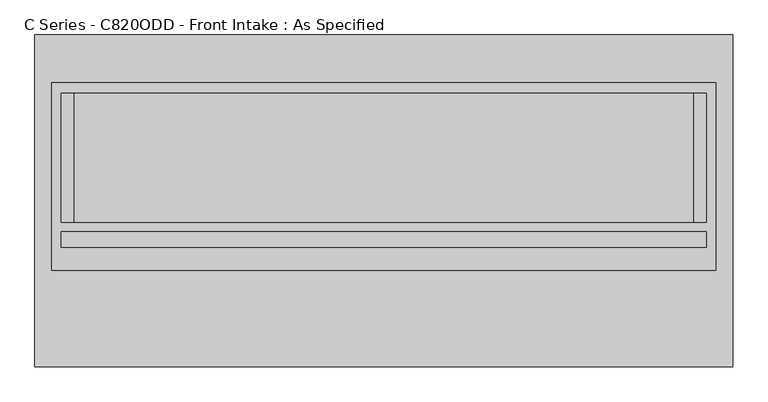
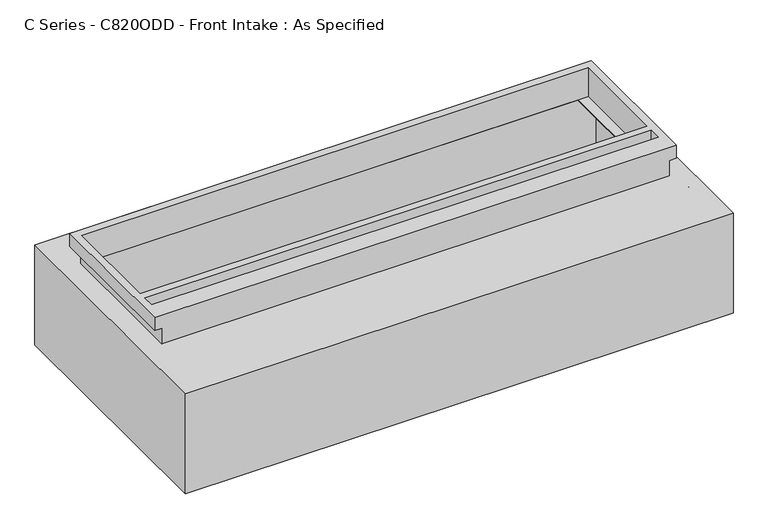
"""IFC4 building model written with IfcOpenShell, lengths in millimetres: proxy geometry, C Series - C820ODD - Front Intake : As Specified."""

from ifc_helpers import new_model, si_unit, frame, origin, place, context, project, spatial, polyline, circle_curve, faceted_brep, source, transform, mapped, element, save
from ifc_brep_helpers import plane_surface, revolved_surface, advanced_brep


def c_series_c820odd_front_intake_as_specified_170ff5d9(model_context):
    return source(origin(), model_context, "Body", "SolidModel", [
        advanced_brep(
        [(1373.98125, 653.3058594, -530.3242188), (1373.98125, -653.3058594, -530.3242188), (-1373.98125, -653.3058594, -530.3242188), (-1373.98125, 653.3058594, -530.3242188), (1373.98125, 653.3058594, 0.0), (-1373.98125, 653.3058594, 0.0), (-1373.98125, -653.3058594, 0.0), (1373.98125, -653.3058594, 0.0), (1219.2, 424.6066406, 0.0), (1219.2, -83.3933594, 0.0), (-1219.2, -83.3933594, 0.0), (-1219.2, 424.6066406, 0.0), (1373.98125, -272.3058594, -430.3117188), (1373.98125, -294.5308594, -430.3117188), (1373.98125, -170.7058594, -430.3117188), (1373.98125, -192.9308594, -430.3117188), (1373.98125, -272.3058594, -100.1117188), (1373.98125, -294.5308594, -100.1117188), (1373.98125, -170.7058594, -100.1117188), (1373.98125, -192.9308594, -100.1117188), (1308.1, 424.6066406, -527.05), (-1308.1, 424.6066406, -527.05), (-1308.1, -83.3933594, -527.05), (1308.1, -83.3933594, -527.05), (1308.1, 424.6066406, -3.175), (1308.1, -83.3933594, -3.175), (1219.2, -83.3933594, -3.175), (1219.2, 424.6066406, -3.175), (-1308.1, -83.3933594, -3.175), (-1308.1, 424.6066406, -3.175), (-1219.2, 424.6066406, -3.175), (-1219.2, -83.3933594, -3.175), (1358.128271, -294.5308594, -430.3117188), (1358.128271, -272.3058594, -430.3117188), (1358.128271, -192.9308594, -430.3117188), (1358.128271, -170.7058594, -430.3117188), (1358.128271, -294.5308594, -100.1117188), (1358.128271, -272.3058594, -100.1117188), (1358.128271, -192.9308594, -100.1117188), (1358.128271, -170.7058594, -100.1117188)],
        [
            (0, 1),
            (1, 2),
            (2, 3),
            (3, 0),
            (4, 5),
            (5, 6),
            (6, 7),
            (7, 4),
            (8, 9),
            (9, 10),
            (10, 11),
            (11, 8),
            (3, 5),
            (4, 0),
            (2, 6),
            (1, 7),
            (12, 13, circle_curve(frame((1373.98125, -283.4183594, -430.3117188), z_axis=(-1.0, 0.0, 0.0), x_axis=(0.0, 1.0, 0.0)), 11.1125)),
            (13, 12, circle_curve(frame((1373.98125, -283.4183594, -430.3117188), z_axis=(-1.0, 0.0, 0.0), x_axis=(0.0, 1.0, 0.0)), 11.1125)),
            (14, 15, circle_curve(frame((1373.98125, -181.8183594, -430.3117188), z_axis=(-1.0, 0.0, 0.0), x_axis=(0.0, 1.0, 0.0)), 11.1125)),
            (15, 14, circle_curve(frame((1373.98125, -181.8183594, -430.3117188), z_axis=(-1.0, 0.0, 0.0), x_axis=(0.0, 1.0, 0.0)), 11.1125)),
            (16, 17, circle_curve(frame((1373.98125, -283.4183594, -100.1117188), z_axis=(-1.0, 0.0, 0.0), x_axis=(0.0, 1.0, 0.0)), 11.1125)),
            (17, 16, circle_curve(frame((1373.98125, -283.4183594, -100.1117188), z_axis=(-1.0, 0.0, 0.0), x_axis=(0.0, 1.0, 0.0)), 11.1125)),
            (18, 19, circle_curve(frame((1373.98125, -181.8183594, -100.1117188), z_axis=(-1.0, 0.0, 0.0), x_axis=(0.0, 1.0, 0.0)), 11.1125)),
            (19, 18, circle_curve(frame((1373.98125, -181.8183594, -100.1117188), z_axis=(-1.0, 0.0, 0.0), x_axis=(0.0, 1.0, 0.0)), 11.1125)),
            (20, 21),
            (21, 22),
            (22, 23),
            (23, 20),
            (24, 25),
            (25, 26),
            (26, 27),
            (27, 24),
            (28, 29),
            (29, 30),
            (30, 31),
            (31, 28),
            (23, 25),
            (24, 20),
            (22, 28),
            (31, 10),
            (9, 26),
            (21, 29),
            (27, 8),
            (11, 30),
            (32, 33, circle_curve(frame((1358.128271, -283.4183594, -430.3117188), z_axis=(1.0, 0.0, 0.0), x_axis=(0.0, 1.0, 0.0)), 11.1125)),
            (33, 32, circle_curve(frame((1358.128271, -283.4183594, -430.3117188), z_axis=(1.0, 0.0, 0.0), x_axis=(0.0, 1.0, 0.0)), 11.1125)),
            (34, 35, circle_curve(frame((1358.128271, -181.8183594, -430.3117188), z_axis=(1.0, 0.0, 0.0), x_axis=(0.0, 1.0, 0.0)), 11.1125)),
            (35, 34, circle_curve(frame((1358.128271, -181.8183594, -430.3117188), z_axis=(1.0, 0.0, 0.0), x_axis=(0.0, 1.0, 0.0)), 11.1125)),
            (36, 37, circle_curve(frame((1358.128271, -283.4183594, -100.1117188), z_axis=(1.0, 0.0, 0.0), x_axis=(0.0, 1.0, 0.0)), 11.1125)),
            (37, 36, circle_curve(frame((1358.128271, -283.4183594, -100.1117188), z_axis=(1.0, 0.0, 0.0), x_axis=(0.0, 1.0, 0.0)), 11.1125)),
            (38, 39, circle_curve(frame((1358.128271, -181.8183594, -100.1117188), z_axis=(1.0, 0.0, 0.0), x_axis=(0.0, 1.0, 0.0)), 11.1125)),
            (39, 38, circle_curve(frame((1358.128271, -181.8183594, -100.1117188), z_axis=(1.0, 0.0, 0.0), x_axis=(0.0, 1.0, 0.0)), 11.1125)),
            (32, 13),
            (12, 33),
            (34, 15),
            (14, 35),
            (36, 17),
            (16, 37),
            (38, 19),
            (18, 39),
        ],
        [
            plane_surface(frame((-1373.98125, 653.3058594, -530.3242188), z_axis=(0.0, 0.0, -1.0), x_axis=(1.0, 0.0, 0.0))),
            plane_surface(frame((-1373.98125, 653.3058594, 0.0), z_axis=(0.0, 0.0, 1.0), x_axis=(-1.0, 0.0, 0.0))),
            plane_surface(frame((1373.98125, 653.3058594, 0.0), z_axis=(0.0, 1.0, 0.0), x_axis=(0.0, 0.0, -1.0))),
            plane_surface(frame((-1373.98125, 653.3058594, 0.0), z_axis=(-1.0, 0.0, 0.0), x_axis=(0.0, 0.0, -1.0))),
            plane_surface(frame((-1373.98125, -653.3058594, 0.0), z_axis=(0.0, -1.0, 0.0), x_axis=(0.0, 0.0, -1.0))),
            plane_surface(frame((1373.98125, -653.3058594, 0.0), z_axis=(1.0, 0.0, 0.0), x_axis=(0.0, 0.0, -1.0))),
            plane_surface(frame((1308.1, 424.6066406, -527.05), z_axis=(0.0, 0.0, 1.0), x_axis=(0.0, -1.0, 0.0))),
            plane_surface(frame((1308.1, 424.6066406, -3.175), z_axis=(0.0, 0.0, -1.0), x_axis=(0.0, 1.0, 0.0))),
            plane_surface(frame((1308.1, 424.6066406, -527.05), z_axis=(-1.0, 0.0, 0.0), x_axis=(0.0, 0.0, 1.0))),
            plane_surface(frame((1308.1, -83.3933594, -527.05), z_axis=(0.0, 1.0, 0.0), x_axis=(0.0, 0.0, 1.0))),
            plane_surface(frame((-1308.1, -83.3933594, -527.05), z_axis=(1.0, 0.0, 0.0), x_axis=(0.0, 0.0, 1.0))),
            plane_surface(frame((-1308.1, 424.6066406, -527.05), z_axis=(0.0, -1.0, 0.0), x_axis=(0.0, 0.0, 1.0))),
            plane_surface(frame((1219.2, 424.6066406, -25.4), z_axis=(-1.0, 0.0, 0.0), x_axis=(0.0, 0.0, 1.0))),
            plane_surface(frame((-1219.2, -83.3933594, -25.4), z_axis=(1.0, 0.0, 0.0), x_axis=(0.0, 0.0, 1.0))),
            plane_surface(frame((1358.128271, -272.3058594, -430.3117188), z_axis=(1.0, 0.0, 0.0), x_axis=(0.0, 0.0, -1.0))),
            revolved_surface(polyline([(1373.98125, -272.3058594, -430.3117188), (1358.128271, -272.3058594, -430.3117188)]), (1358.128271, -283.4183594, -430.3117188), (1.0, 0.0, 0.0)),
            revolved_surface(polyline([(1373.98125, -170.70585939999998, -430.3117188), (1358.128271, -170.70585939999998, -430.3117188)]), (0.0, -181.8183594, -430.3117188), (1.0, 0.0, 0.0)),
            revolved_surface(polyline([(1373.98125, -272.3058594, -100.1117188), (1358.128271, -272.3058594, -100.1117188)]), (0.0, -283.4183594, -100.1117188), (1.0, 0.0, 0.0)),
            revolved_surface(polyline([(1373.98125, -170.70585939999998, -100.1117188), (1358.128271, -170.70585939999998, -100.1117188)]), (0.0, -181.8183594, -100.1117188), (1.0, 0.0, 0.0)),
        ],
        [
            (0, [[1, 2, 3, 4]]),
            (1, [[5, 6, 7, 8], [9, 10, 11, 12]]),
            (2, [[-4, 13, -5, 14]]),
            (3, [[-3, 15, -6, -13]]),
            (4, [[-2, 16, -7, -15]]),
            (5, [[-1, -14, -8, -16], [17, 18], [19, 20], [21, 22], [23, 24]]),
            (6, [[25, 26, 27, 28]]),
            (7, [[29, 30, 31, 32]]),
            (7, [[33, 34, 35, 36]]),
            (8, [[-28, 37, -29, 38]]),
            (9, [[-27, 39, -36, 40, -10, 41, -30, -37]]),
            (10, [[-26, 42, -33, -39]]),
            (11, [[-25, -38, -32, 43, -12, 44, -34, -42]]),
            (12, [[-43, -31, -41, -9]]),
            (13, [[-40, -35, -44, -11]]),
            (14, [[45, 46]]),
            (14, [[47, 48]]),
            (14, [[49, 50]]),
            (14, [[51, 52]]),
            (15, [[-45, 53, -17, 54]]),
            (15, [[-46, -54, -18, -53]]),
            (16, [[-47, 55, -19, 56]]),
            (16, [[-48, -56, -20, -55]]),
            (17, [[-49, 57, -21, 58]]),
            (17, [[-50, -58, -22, -57]]),
            (18, [[-51, 59, -23, 60]]),
            (18, [[-52, -60, -24, -59]]),
        ],
    ),
        faceted_brep([(1308.1, 464.2941406, 152.4), (-1308.1, 464.2941406, 152.4), (-1308.1, -272.3058594, 152.4), (1308.1, -272.3058594, 152.4), (1270.0, 424.6066406, 152.4), (1270.0, -83.3933594, 152.4), (-1270.0, -83.3933594, 152.4), (-1270.0, 424.6066406, 152.4), (1270.0, -121.4933594, 152.4), (1270.0, -181.8183594, 152.4), (-1270.0, -181.8183594, 152.4), (-1270.0, -121.4933594, 152.4), (1273.175, -272.3058594, 0.0), (-1273.175, -272.3058594, 0.0), (-1273.175, 429.3691406, 0.0), (1273.175, 429.3691406, 0.0), (1270.0, -83.3933594, 0.0), (1270.0, 424.6066406, 0.0), (-1270.0, 424.6066406, 0.0), (-1270.0, -83.3933594, 0.0), (1308.1, 464.2941406, 82.55), (-1308.1, 464.2941406, 82.55), (-1308.1, -272.3058594, 82.55), (-1273.175, -272.3058594, 82.55), (1273.175, -272.3058594, 82.55), (1308.1, -272.3058594, 82.55), (1273.175, 429.3691406, 82.55), (-1273.175, 429.3691406, 82.55), (1270.0, -121.4933594, 82.55), (-1270.0, -121.4933594, 82.55), (-1270.0, -181.8183594, 82.55), (1270.0, -181.8183594, 82.55)], [[[0, 1, 2, 3], [4, 5, 6, 7], [8, 9, 10, 11]], [[12, 13, 14, 15], [16, 17, 18, 19]], [[1, 0, 20, 21]], [[2, 1, 21, 22]], [[3, 2, 22, 23, 13, 12, 24, 25]], [[0, 3, 25, 20]], [[24, 26, 27, 23, 22, 21, 20, 25]], [[26, 24, 12, 15]], [[27, 26, 15, 14]], [[23, 27, 14, 13]], [[16, 5, 4, 17]], [[5, 16, 19, 6]], [[6, 19, 18, 7]], [[17, 4, 7, 18]], [[28, 29, 30, 31]], [[28, 31, 9, 8]], [[31, 30, 10, 9]], [[30, 29, 11, 10]], [[29, 28, 8, 11]]]),
    ])


if __name__ == "__main__":
    model = new_model("IFC4")
    model_context = context("Model", 3, world=origin())
    ifc_project = project(units=[si_unit("LENGTHUNIT", "METRE", prefix="MILLI")], contexts=[model_context])
    site = spatial("IfcSite", under=ifc_project)
    building = spatial("IfcBuilding", under=site)
    placement = place(None, origin())
    c_series_c820odd_front_intake_as_specified_shape = c_series_c820odd_front_intake_as_specified_170ff5d9(model_context)
    element("IfcBuildingElementProxy", 1, Name="C Series - C820ODD - Front Intake : As Specified", ObjectType="C Series - C820ODD - Front Intake : As Specified", at=placement, inside=building, context=model_context, shape_type="MappedRepresentation", body=[
        mapped(c_series_c820odd_front_intake_as_specified_shape, transform((0.0, 0.0, 0.0), x_axis=(1.0, 0.0, 0.0), y_axis=(0.0, 1.0, 0.0), z_axis=(0.0, 0.0, 1.0))),
    ])
    save(model, "model.ifc")
